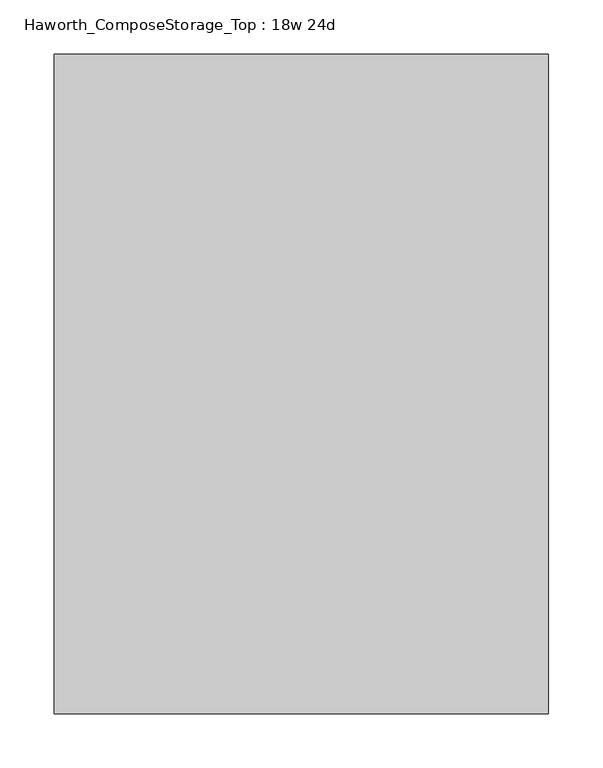
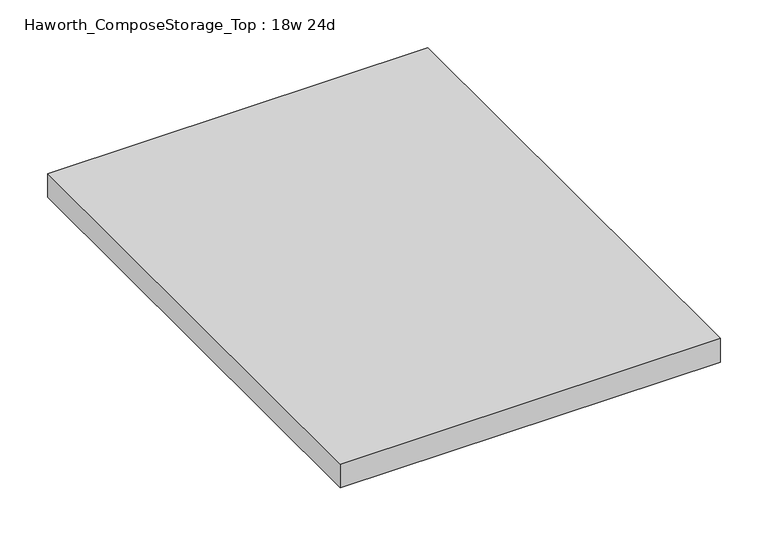
"""IFC4 building model written with IfcOpenShell, lengths in millimetres: furniture geometry, Haworth_ComposeStorage_Top : 18w 24d."""

import ifcopenshell
import ifcopenshell.guid

model = None  # the IFC model being written
_history = None  # IfcOwnerHistory: only IFC2X3 demands one
_inside = {}  # id of a spatial element -> (the spatial element, [elements in it])
_under = {}  # id of a project, library or spatial element -> (it, [spatial elements below it])
_declared = {}  # id of a project -> (the project, [libraries it declares])
_typed = {}  # id of a type object -> (the type object, [elements of that type])
_made_of = {}  # id of a material, layer set ... -> (it, [elements and type objects made of it])


def new_model(schema):
    """Start an empty IFC model of exactly this schema.

    Asked for "IFC4X3", IfcOpenShell would pick the latest addendum, in which some entities
    have other attributes; the version numbers below select the first issue.
    IFC2X3 requires an IfcOwnerHistory on every rooted entity: one is made here for all.
    """
    global model, _history
    if schema == "IFC4X3":
        model = ifcopenshell.file(schema_version=(4, 3, 0, 0))
    else:
        model = ifcopenshell.file(schema=schema)
    _inside.clear()
    _under.clear()
    _declared.clear()
    _typed.clear()
    _made_of.clear()
    _history = None
    if model.schema == "IFC2X3":
        org = make("IfcOrganization", Name="unknown")
        user = make(
            "IfcPersonAndOrganization",
            ThePerson=make("IfcPerson", FamilyName="unknown"),
            TheOrganization=org,
        )
        app = make(
            "IfcApplication",
            ApplicationDeveloper=org,
            Version="unknown",
            ApplicationFullName="unknown",
            ApplicationIdentifier="unknown",
        )
        _history = make(
            "IfcOwnerHistory",
            OwningUser=user,
            OwningApplication=app,
            ChangeAction="ADDED",
            CreationDate=0,
        )
    return model


def make(cls, **values):
    """One entity of the class cls with the attributes given. An attribute that is None is left unset."""
    return model.create_entity(
        cls, **{name: value for name, value in values.items() if value is not None}
    )


def rooted(cls, **values):
    """An entity with a GlobalId (a new one), such as an element, a storey or a relation."""
    return make(cls, GlobalId=ifcopenshell.guid.new(), OwnerHistory=_history, **values)


def si_unit(unit_type, name, prefix=None):
    """IfcSIUnit, for example si_unit("LENGTHUNIT", "METRE", prefix="MILLI")."""
    return make("IfcSIUnit", UnitType=unit_type, Prefix=prefix, Name=name)


def assignment(units):
    """IfcUnitAssignment: the units of a project."""
    return None if units is None else make("IfcUnitAssignment", Units=units)


def point(xyz):
    """IfcCartesianPoint."""
    return None if xyz is None else make("IfcCartesianPoint", Coordinates=xyz)


def direction(xyz):
    """IfcDirection."""
    return None if xyz is None else make("IfcDirection", DirectionRatios=xyz)


def frame(location, z_axis=None, x_axis=None):
    """IfcAxis2Placement3D, a coordinate frame: its origin and axes. An axis left out is left unset."""
    return make(
        "IfcAxis2Placement3D",
        Location=point(location),
        Axis=direction(z_axis),
        RefDirection=direction(x_axis),
    )


def origin():
    """The frame at (0, 0, 0) with its axes left unset."""
    return frame((0.0, 0.0, 0.0))


def place(relative_to, where):
    """IfcLocalPlacement: puts the frame where relative to a parent placement (None: the world)."""
    return make(
        "IfcLocalPlacement", PlacementRelTo=relative_to, RelativePlacement=where
    )


def context(
    kind, dimensions, precision=None, world=None, true_north=None, identifier=None
):
    """IfcGeometricRepresentationContext, for example the 3D "Model" context."""
    return make(
        "IfcGeometricRepresentationContext",
        ContextIdentifier=identifier,
        ContextType=kind,
        CoordinateSpaceDimension=dimensions,
        Precision=precision,
        WorldCoordinateSystem=world,
        TrueNorth=true_north,
    )


def project(units=None, contexts=None):
    """IfcProject with its units and contexts."""
    return rooted(
        "IfcProject",
        Name="project",
        RepresentationContexts=contexts,
        UnitsInContext=assignment(units),
    )


def spatial(cls, under=None, at=None, **own):
    """A site, building, storey or space (cls), placed at a placement, below another one or the project."""
    s = rooted(cls, ObjectPlacement=at, **own)
    if under is not None:
        _under.setdefault(under.id(), (under, []))[1].append(s)
    return s


def polyline(points):
    """IfcPolyline through the points."""
    return make("IfcPolyline", Points=[point(p) for p in points])


def outline(outer, holes=None, kind="AREA"):
    """IfcArbitraryClosedProfileDef: a profile drawn as a closed curve; with holes, ...WithVoids."""
    if holes is None:
        return make("IfcArbitraryClosedProfileDef", ProfileType=kind, OuterCurve=outer)
    return make(
        "IfcArbitraryProfileDefWithVoids",
        ProfileType=kind,
        OuterCurve=outer,
        InnerCurves=holes,
    )


def extrude(swept, where, along, depth):
    """IfcExtrudedAreaSolid: the profile swept, set in the frame where, extruded along a direction by depth."""
    return make(
        "IfcExtrudedAreaSolid",
        SweptArea=swept,
        Position=where,
        ExtrudedDirection=direction(along),
        Depth=depth,
    )


def shape(context_of_items, identifier, shape_type, items):
    """IfcShapeRepresentation: the items that make up one representation, for example the "Body"."""
    return make(
        "IfcShapeRepresentation",
        ContextOfItems=context_of_items,
        RepresentationIdentifier=identifier,
        RepresentationType=shape_type,
        Items=items,
    )


def source(mapping_origin, context_of_items, identifier, shape_type, items):
    """IfcRepresentationMap: a shape defined once, which mapped items show again and again."""
    return make(
        "IfcRepresentationMap",
        MappingOrigin=mapping_origin,
        MappedRepresentation=shape(context_of_items, identifier, shape_type, items),
    )


def transform(
    local_origin,
    x_axis=None,
    y_axis=None,
    z_axis=None,
    scale=None,
    scale2=None,
    scale3=None,
    uniform=True,
):
    """IfcCartesianTransformationOperator3D, or its non-uniform kind. x_axis, y_axis, z_axis: its Axis1, 2, 3."""
    if uniform:
        return make(
            "IfcCartesianTransformationOperator3D",
            Axis1=direction(x_axis),
            Axis2=direction(y_axis),
            LocalOrigin=point(local_origin),
            Scale=scale,
            Axis3=direction(z_axis),
        )
    return make(
        "IfcCartesianTransformationOperator3DnonUniform",
        Axis1=direction(x_axis),
        Axis2=direction(y_axis),
        LocalOrigin=point(local_origin),
        Scale=scale,
        Axis3=direction(z_axis),
        Scale2=scale2,
        Scale3=scale3,
    )


def mapped(mapping_source, mapping_target):
    """IfcMappedItem: shows the shape of a source again, moved by a transform."""
    return make(
        "IfcMappedItem", MappingSource=mapping_source, MappingTarget=mapping_target
    )


def made_of(thing, what):
    """Note that an element or type object is made of a material, layer set ...; save() writes the relation."""
    if what is not None:
        _made_of.setdefault(what.id(), (what, []))[1].append(thing)
    return thing


def element(
    cls,
    number,
    at=None,
    inside=None,
    cuts=None,
    type_object=None,
    material=None,
    context=None,
    identifier="Body",
    shape_type=None,
    held_by="IfcProductDefinitionShape",
    body=None,
    shapes=None,
    **own,
):
    """One element of the class cls, such as IfcWall. Its Tag is "e" and its number.

    at: its placement. inside: the storey or other place that contains it. cuts: it is an
    opening in that element (IfcRelVoidsElement). A single representation is given by context,
    identifier, shape_type and body (its items); several are given by shapes. held_by: the class
    of the entity that holds the representations. save() writes the other relations.
    """
    e = rooted(cls, Tag="e%d" % number, ObjectPlacement=at, **own)
    if body is not None:
        shapes = [shape(context, identifier, shape_type, body)]
    if shapes is not None:
        e.Representation = make(held_by, Representations=shapes)
    if inside is not None:
        _inside.setdefault(inside.id(), (inside, []))[1].append(e)
    if cuts is not None:
        rooted(
            "IfcRelVoidsElement", RelatingBuildingElement=cuts, RelatedOpeningElement=e
        )
    if type_object is not None:
        _typed.setdefault(type_object.id(), (type_object, []))[1].append(e)
    return made_of(e, material)


def aggregate(whole, parts):
    """IfcRelAggregates: a whole, such as a stair, and the parts it consists of."""
    return rooted("IfcRelAggregates", RelatingObject=whole, RelatedObjects=parts)


def save(model, path):
    """Write the relations noted so far, then the file.

    IfcRelAggregates (storeys below a building ...), IfcRelContainedInSpatialStructure (elements
    in a storey), IfcRelDefinesByType, IfcRelAssociatesMaterial and IfcRelDeclares: one each for
    every whole, place, type object, material and project.
    """
    for whole, parts in _under.values():
        aggregate(whole, parts)
    for where, things in _inside.values():
        rooted(
            "IfcRelContainedInSpatialStructure",
            RelatedElements=things,
            RelatingStructure=where,
        )
    for kind, things in _typed.values():
        rooted("IfcRelDefinesByType", RelatedObjects=things, RelatingType=kind)
    for what, things in _made_of.values():
        rooted("IfcRelAssociatesMaterial", RelatedObjects=things, RelatingMaterial=what)
    for by, libraries in _declared.values():
        rooted("IfcRelDeclares", RelatingContext=by, RelatedDefinitions=libraries)
    model.write(path)


def haworth_composestorage_top_18w_24d_652d5025(model_context):
    return source(origin(), model_context, "Body", "SweptSolid", [
        extrude(outline(polyline([(228.6, 304.8), (228.6, -304.8), (-228.6, -304.8), (-228.6, 304.8), (228.6, 304.8)])), frame((0.0, 0.0, 706.4375), z_axis=(0.0, 0.0, 1.0), x_axis=(1.0, 0.0, 0.0)), (0.0, 0.0, 1.0), 30.1625),
    ])


if __name__ == "__main__":
    model = new_model("IFC4")
    model_context = context("Model", 3, world=origin())
    ifc_project = project(units=[si_unit("LENGTHUNIT", "METRE", prefix="MILLI")], contexts=[model_context])
    site = spatial("IfcSite", under=ifc_project)
    building = spatial("IfcBuilding", under=site)
    placement = place(None, origin())
    haworth_composestorage_top_18w_24d_shape = haworth_composestorage_top_18w_24d_652d5025(model_context)
    element("IfcFurniture", 1, ObjectType="Haworth_ComposeStorage_Top : 18w 24d", at=placement, inside=building, context=model_context, shape_type="MappedRepresentation", body=[
        mapped(haworth_composestorage_top_18w_24d_shape, transform((0.0, 0.0, 0.0), x_axis=(1.0, 0.0, 0.0), y_axis=(0.0, 1.0, 0.0), z_axis=(0.0, 0.0, 1.0))),
    ])
    save(model, "model.ifc")
